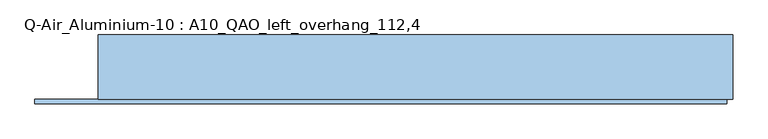
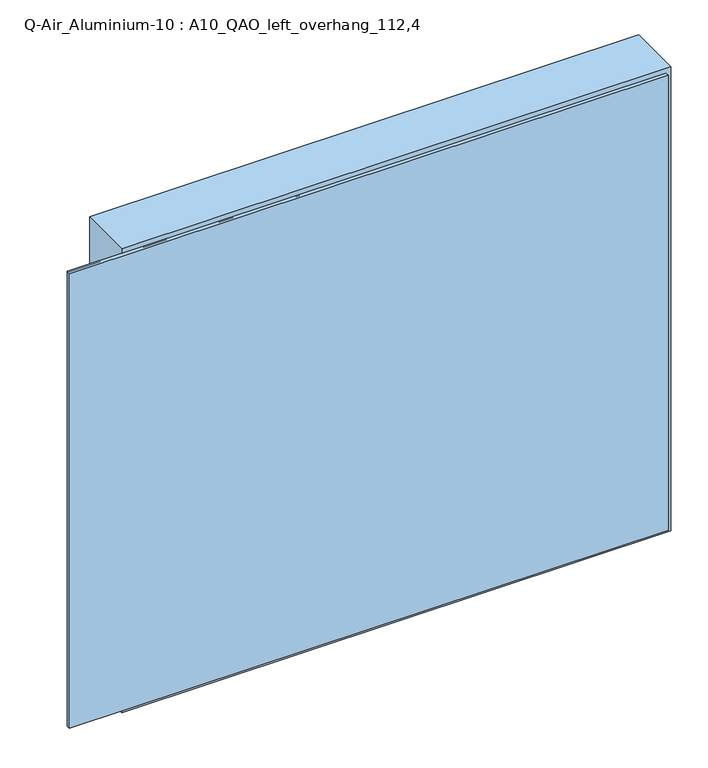
"""IFC4 building model written with IfcOpenShell, lengths in millimetres: window geometry, Q-Air_Aluminium-10 : A10_QAO_left_overhang_112,4."""

from ifc_helpers import new_model, si_unit, frame, origin, place, context, project, spatial, polyline, outline, extrude, source, transform, mapped, element, save


def q_air_aluminium_10_a10_qao_left_overhang_112_4_9b198f49(model_context):
    return source(origin(), model_context, "Body", "SweptSolid", [
        extrude(outline(polyline([(1010.0, 565.0), (1010.0, -565.0), (0.0, -565.0), (0.0, 565.0), (1010.0, 565.0)]), holes=[polyline([(952.0, 507.0), (58.0, 507.0), (58.0, -507.0), (952.0, -507.0), (952.0, 507.0)])]), frame((0.0, -114.5, 0.0), z_axis=(0.0, 1.0, 0.0), x_axis=(0.0, 0.0, 1.0)), (0.0, 0.0, 1.0), 114.5),
        extrude(outline(polyline([(507.0, 0.0), (507.0, -12.5), (-507.0, -12.5), (-507.0, 0.0), (507.0, 0.0)])), frame((0.0, 0.0, 58.0), z_axis=(0.0, 0.0, 1.0), x_axis=(1.0, 0.0, 0.0)), (0.0, 0.0, 1.0), 894.0),
        extrude(outline(polyline([(555.0, -114.5), (555.0, -122.5), (-677.4, -122.5), (-677.4, -114.5), (555.0, -114.5)])), frame((0.0, 0.0, 10.0), z_axis=(0.0, 0.0, 1.0), x_axis=(1.0, 0.0, 0.0)), (0.0, 0.0, 1.0), 990.0),
        extrude(outline(polyline([(1000.0, 555.0), (1000.0, -677.4), (10.0, -677.4), (10.0, 555.0), (1000.0, 555.0)]), holes=[polyline([(952.0, 507.0), (58.0, 507.0), (58.0, -507.0), (952.0, -507.0), (952.0, 507.0)])]), frame((0.0, -118.5, 0.0), z_axis=(0.0, 1.0, 0.0), x_axis=(0.0, 0.0, 1.0)), (0.0, 0.0, 1.0), 4.0),
    ])


if __name__ == "__main__":
    model = new_model("IFC4")
    model_context = context("Model", 3, world=origin())
    ifc_project = project(units=[si_unit("LENGTHUNIT", "METRE", prefix="MILLI")], contexts=[model_context])
    site = spatial("IfcSite", under=ifc_project)
    building = spatial("IfcBuilding", under=site)
    placement = place(None, origin())
    q_air_aluminium_10_a10_qao_left_overhang_112_4_shape = q_air_aluminium_10_a10_qao_left_overhang_112_4_9b198f49(model_context)
    element("IfcWindow", 1, ObjectType="Q-Air_Aluminium-10 : A10_QAO_left_overhang_112,4", at=placement, inside=building, context=model_context, shape_type="MappedRepresentation", body=[
        mapped(q_air_aluminium_10_a10_qao_left_overhang_112_4_shape, transform((0.0, 0.0, 0.0), x_axis=(1.0, 0.0, 0.0), y_axis=(0.0, 1.0, 0.0), z_axis=(0.0, 0.0, 1.0))),
    ])
    save(model, "model.ifc")
